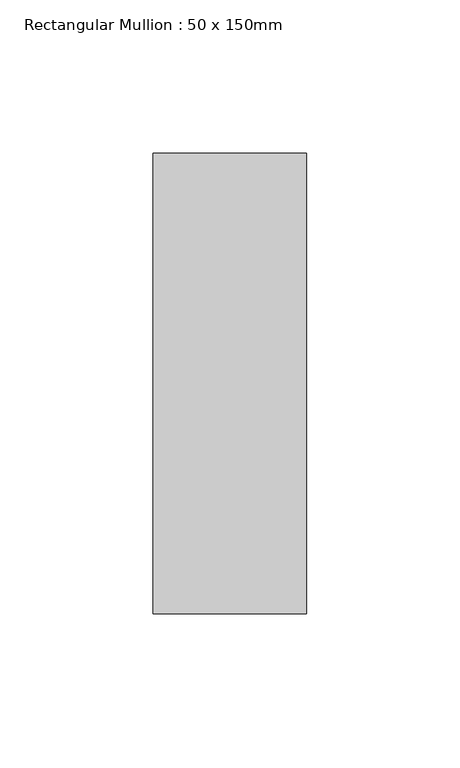
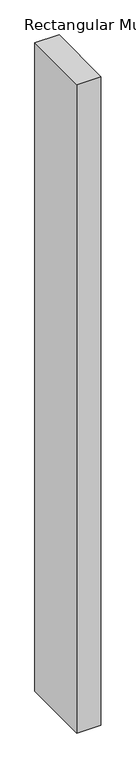
"""IFC4 building model written with IfcOpenShell, lengths in millimetres: member geometry, Rectangular Mullion : 50 x 150mm."""

from ifc_helpers import new_model, si_unit, frame, origin, place, context, project, spatial, polyline, outline, extrude, source, transform, mapped, element, save


def rectangular_mullion_50_x_150mm_8c08a00b(model_context):
    return source(origin(), model_context, "Body", "SweptSolid", [
        extrude(outline(polyline([(25.0, 75.0), (25.0, -75.0), (-25.0, -75.0), (-25.0, 75.0), (25.0, 75.0)])), frame((0.0, 0.0, -1417.9573923), z_axis=(0.0, 0.0, 1.0), x_axis=(1.0, 0.0, 0.0)), (0.0, 0.0, 1.0), 1417.9573923),
    ])


if __name__ == "__main__":
    model = new_model("IFC4")
    model_context = context("Model", 3, world=origin())
    ifc_project = project(units=[si_unit("LENGTHUNIT", "METRE", prefix="MILLI")], contexts=[model_context])
    site = spatial("IfcSite", under=ifc_project)
    building = spatial("IfcBuilding", under=site)
    placement = place(None, origin())
    rectangular_mullion_50_x_150mm_shape = rectangular_mullion_50_x_150mm_8c08a00b(model_context)
    element("IfcMember", 1, ObjectType="Rectangular Mullion : 50 x 150mm", at=placement, inside=building, context=model_context, shape_type="MappedRepresentation", body=[
        mapped(rectangular_mullion_50_x_150mm_shape, transform((0.0, 0.0, 0.0), x_axis=(1.0, 0.0, 0.0), y_axis=(0.0, 1.0, 0.0), z_axis=(0.0, 0.0, 1.0))),
    ])
    save(model, "model.ifc")
